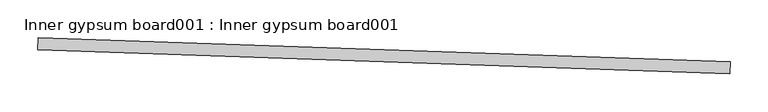
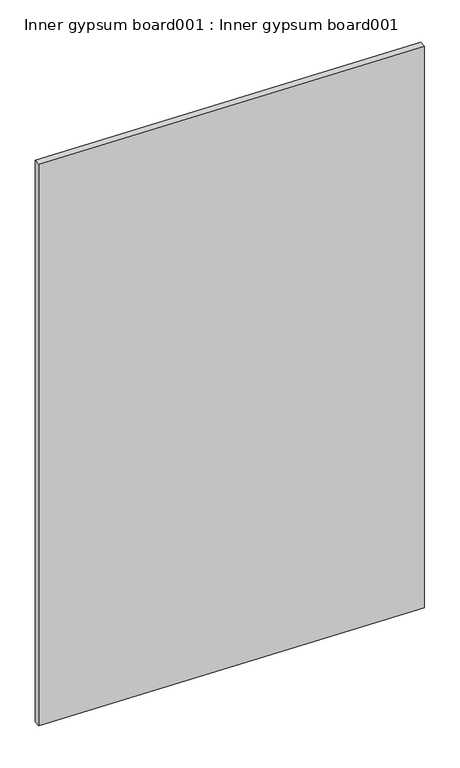
"""IFC4 building model written with IfcOpenShell, lengths in millimetres: proxy geometry, Inner gypsum board001 : Inner gypsum board001."""

from ifc_helpers import new_model, si_unit, frame, origin, place, context, project, spatial, polyline, outline, extrude, source, transform, mapped, element, save


def inner_gypsum_board001_inner_gypsum_board001_bfa0977b(model_context):
    return source(origin(), model_context, "Body", "SweptSolid", [
        extrude(outline(polyline([(34351.7931208, -15561.0926624), (34351.2501675, -15576.9583747), (33437.3851392, -15545.6842654), (33437.9280924, -15529.8185531), (34351.7931208, -15561.0926624)])), frame((0.0, 0.0, 3076.575), z_axis=(0.0, 0.0, 1.0), x_axis=(1.0, 0.0, 0.0)), (0.0, 0.0, 1.0), 1434.625),
    ])


if __name__ == "__main__":
    model = new_model("IFC4")
    model_context = context("Model", 3, world=origin())
    ifc_project = project(units=[si_unit("LENGTHUNIT", "METRE", prefix="MILLI")], contexts=[model_context])
    site = spatial("IfcSite", under=ifc_project)
    building = spatial("IfcBuilding", under=site)
    placement = place(None, origin())
    inner_gypsum_board001_inner_gypsum_board001_shape = inner_gypsum_board001_inner_gypsum_board001_bfa0977b(model_context)
    element("IfcBuildingElementProxy", 1, Name="Inner gypsum board001 : Inner gypsum board001", ObjectType="Inner gypsum board001 : Inner gypsum board001", at=placement, inside=building, context=model_context, shape_type="MappedRepresentation", body=[
        mapped(inner_gypsum_board001_inner_gypsum_board001_shape, transform((0.0, 0.0, 0.0), x_axis=(1.0, 0.0, 0.0), y_axis=(0.0, 1.0, 0.0), z_axis=(0.0, 0.0, 1.0))),
    ])
    save(model, "model.ifc")
